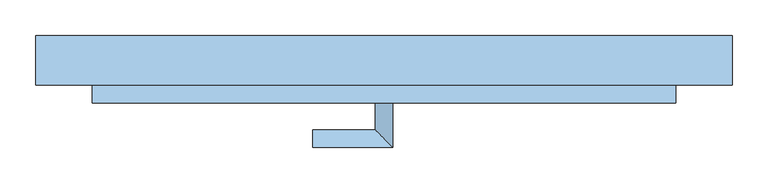
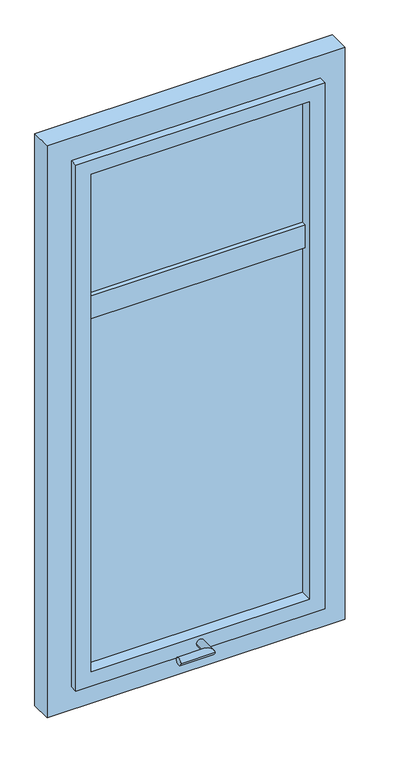
"""IFC4 building model written with IfcOpenShell, lengths in millimetres: window geometry."""

from ifc_helpers import new_model, si_unit, frame, origin, place, context, project, spatial, polyline, circle_curve, ellipse_curve, outline, extrude, faceted_brep, source, transform, mapped, element, save
from ifc_brep_helpers import plane_surface, cylinder_surface, advanced_brep


def window_b37a0a77(model_context):
    return source(origin(), model_context, "Body", "SolidModel", [
        extrude(outline(polyline([(666.8584094, -65.9407167), (666.8584094, -73.9407167), (-153.1415906, -73.9407167), (-153.1415906, -65.9407167), (666.8584094, -65.9407167)])), frame((0.0, 0.0, 2317.0), z_axis=(0.0, 0.0, 1.0), x_axis=(1.0, 0.0, 0.0)), (0.0, 0.0, 1.0), 493.0),
        advanced_brep(
        [(244.3584094, -139.9407167, 1005.0), (269.3584094, -139.9407167, 1005.0), (244.3584094, -177.4407167, 1005.0), (269.3584094, -202.4407167, 1005.0), (156.8584094, -177.4407167, 1005.0), (156.8584094, -202.4407167, 1005.0)],
        [
            (0, 1, circle_curve(frame((256.8584094, -139.9407167, 1005.0), z_axis=(0.0, 1.0, 0.0), x_axis=(1.0, 0.0, 0.0)), 12.5)),
            (1, 0, circle_curve(frame((256.8584094, -139.9407167, 1005.0), z_axis=(0.0, 1.0, 0.0), x_axis=(1.0, 0.0, 0.0)), 12.5)),
            (0, 2),
            (2, 3, ellipse_curve(frame((256.8584094, -189.9407167, 1005.0), z_axis=(0.7071067811865475, 0.7071067811865475, 0.0), x_axis=(-0.7071067811865474, 0.7071067811865476, 0.0)), 17.6776695, 12.5)),
            (3, 1),
            (3, 2, ellipse_curve(frame((256.8584094, -189.9407167, 1005.0), z_axis=(0.7071067811865475, 0.7071067811865475, 0.0), x_axis=(-0.7071067811865474, 0.7071067811865476, 0.0)), 17.6776695, 12.5)),
            (4, 5, circle_curve(frame((156.8584094, -189.9407167, 1005.0), z_axis=(-1.0, 0.0, 0.0), x_axis=(0.0, -1.0, 0.0)), 12.5)),
            (5, 4, circle_curve(frame((156.8584094, -189.9407167, 1005.0), z_axis=(-1.0, 0.0, 0.0), x_axis=(0.0, -1.0, 0.0)), 12.5)),
            (2, 4),
            (5, 3),
        ],
        [
            plane_surface(frame((256.8584094, -139.9407167, 1005.0), z_axis=(0.0, 1.0, 0.0), x_axis=(0.0, 0.0, 1.0))),
            cylinder_surface(frame((256.8584094, -139.9407167, 1005.0), z_axis=(0.0, 1.0, 0.0), x_axis=(1.0, 0.0, 0.0)), 12.5),
            plane_surface(frame((156.8584094, -189.9407167, 1005.0), z_axis=(-1.0, 0.0, 0.0), x_axis=(0.0, 0.0, 1.0))),
            cylinder_surface(frame((256.8584094, -189.9407167, 1005.0), z_axis=(1.0, 0.0, 0.0), x_axis=(0.0, -1.0, 0.0)), 12.5),
        ],
        [
            (0, [[1, 2]]),
            (1, [[-1, 3, 4, 5]]),
            (1, [[-2, -5, 6, -3]]),
            (2, [[7, 8]]),
            (3, [[-4, 9, -8, 10]]),
            (3, [[-6, -10, -7, -9]]),
        ],
    ),
        extrude(outline(polyline([(616.8584094, -90.9407167), (616.8584094, -98.9407167), (-103.1415906, -98.9407167), (-103.1415906, -90.9407167), (616.8584094, -90.9407167)])), frame((0.0, 0.0, 1030.0), z_axis=(0.0, 0.0, 1.0), x_axis=(1.0, 0.0, 0.0)), (0.0, 0.0, 1.0), 1730.0),
        faceted_brep([(-153.1415906, -69.9407167, 980.0), (666.8584094, -69.9407167, 980.0), (666.8584094, -114.9407167, 980.0), (666.8584094, -139.9407167, 980.0), (-153.1415906, -139.9407167, 980.0), (-153.1415906, -114.9407167, 980.0), (-103.1415906, -69.9407167, 1030.0), (-103.1415906, -139.9407167, 1030.0), (616.8584094, -139.9407167, 1030.0), (616.8584094, -69.9407167, 1030.0), (666.8584094, -69.9407167, 2810.0), (666.8584094, -114.9407167, 2810.0), (666.8584094, -139.9407167, 2810.0), (616.8584094, -139.9407167, 2760.0), (616.8584094, -69.9407167, 2760.0), (-153.1415906, -69.9407167, 2810.0), (-153.1415906, -114.9407167, 2810.0), (-153.1415906, -139.9407167, 2810.0), (-103.1415906, -139.9407167, 2760.0), (-103.1415906, -69.9407167, 2760.0)], [[[0, 1, 2, 3, 4, 5]], [[6, 7, 8, 9]], [[1, 10, 11, 12, 3, 2]], [[9, 8, 13, 14]], [[10, 15, 16, 17, 12, 11]], [[14, 13, 18, 19]], [[1, 0, 15, 10], [6, 9, 14, 19]], [[15, 0, 5, 4, 17, 16]], [[4, 3, 12, 17], [8, 7, 18, 13]], [[7, 6, 19, 18]]]),
        extrude(outline(polyline([(2890.0, 746.8584094), (2890.0, -233.1415906), (900.0, -233.1415906), (900.0, 746.8584094), (2890.0, 746.8584094)]), holes=[polyline([(2810.0, -153.1415906), (2810.0, 666.8584094), (2317.0, 666.8584094), (2317.0, -153.1415906), (2810.0, -153.1415906)]), polyline([(980.0, 666.8584094), (980.0, -153.1415906), (2237.0, -153.1415906), (2237.0, 666.8584094), (980.0, 666.8584094)])]), frame((0.0, -114.9407167, 0.0), z_axis=(0.0, 1.0, 0.0), x_axis=(0.0, 0.0, 1.0)), (0.0, 0.0, 1.0), 70.0),
    ])


if __name__ == "__main__":
    model = new_model("IFC4")
    model_context = context("Model", 3, world=origin())
    ifc_project = project(units=[si_unit("LENGTHUNIT", "METRE", prefix="MILLI")], contexts=[model_context])
    site = spatial("IfcSite", under=ifc_project)
    building = spatial("IfcBuilding", under=site)
    placement = place(None, origin())
    window_shape = window_b37a0a77(model_context)
    element("IfcWindow", 1, at=placement, inside=building, context=model_context, shape_type="MappedRepresentation", body=[
        mapped(window_shape, transform((0.0, 0.0, 0.0), x_axis=(1.0, 0.0, 0.0), y_axis=(0.0, 1.0, 0.0), z_axis=(0.0, 0.0, 1.0))),
    ])
    save(model, "model.ifc")
